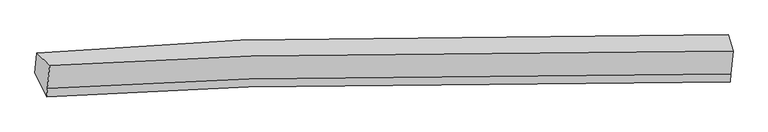
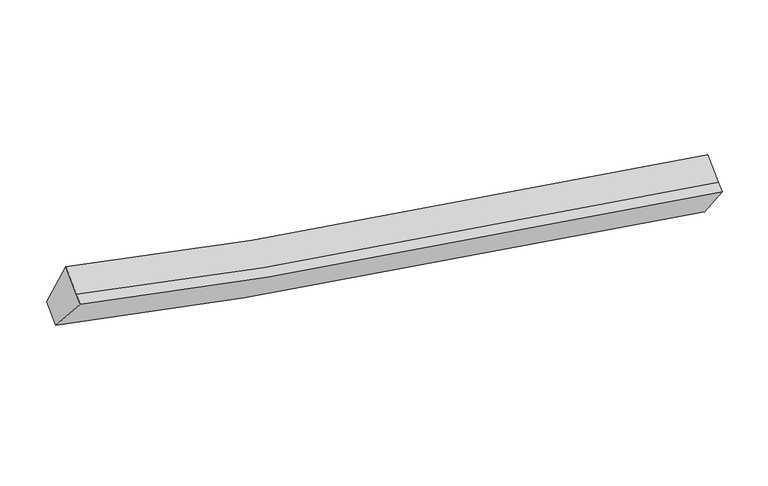
"""IFC4 building model written with IfcOpenShell, lengths in millimetres: proxy geometry."""

from ifc_helpers import new_model, si_unit, frame, origin, place, context, project, spatial, source, transform, mapped, element, save
from ifc_brep_helpers import plane_surface, spline_curve, spline_surface, advanced_brep


def generic_models_b4ca716c(model_context):
    return source(origin(), model_context, "Body", "AdvancedBrep", [
        advanced_brep(
        [(-4301.1393491, -1888.1021383, 3801.5619417), (-4099.46285, -2084.2162601, 4460.6684909), (6615.5196685, -1858.8854079, 2523.9230772), (6537.2632385, -1602.6209784, 1880.4748406), (-4135.0697643, -2448.343918, 4215.1881371), (6580.0671286, -2221.434383, 2279.5070084), (-4147.7834724, -2578.3583498, 4127.5375893), (6567.9445961, -2345.4032652, 2195.9321291), (-4331.1441114, -2200.0889336, 3593.0367709), (6502.0563604, -1962.6577381, 1637.7524073)],
        [
            (0, 1),
            (1, 2, spline_curve(3, [(-4099.46285, -2084.2162601, 4460.6684909), (-3051.015195239, -2024.576461745, 4194.542875796), (-1997.890775268, -1976.038353428, 3950.399431849), (1552.47923122, -1850.387958395, 3204.744453929), (4071.015650651, -1823.815782495, 2803.306092923), (6615.5196685, -1858.8854079, 2523.9230772)], [4, 2, 4], [0.0, 10.714074270032365, 35.960375606474365])),
            (2, 3),
            (3, 0, spline_curve(3, [(6537.2632385, -1602.6209784, 1880.4748406), (3969.392604069, -1536.428848791, 2184.789321976), (1423.616939448, -1563.610779628, 2591.083199629), (-2171.068258155, -1735.328555455, 3315.058471409), (-3238.093456009, -1803.30701139, 3549.126960337), (-4301.1393491, -1888.1021383, 3801.5619417)], [4, 2, 4], [0.0, 25.246301336442002, 35.960375606474365])),
            (1, 4),
            (4, 5, spline_curve(3, [(-4135.0697643, -2448.343918, 4215.1881371), (-3086.555319915, -2388.021107048, 3949.52298182), (-2033.379441701, -2338.956771247, 3705.734299426), (1517.111818725, -2212.066390845, 2960.915270669), (4035.648238815, -2185.494215243, 2559.476909957), (6580.0671286, -2221.434383, 2279.5070084)], [4, 2, 4], [0.0, 10.65558636571891, 35.764068678359244])),
            (5, 2),
            (4, 6),
            (6, 7, spline_curve(3, [(-4147.7834724, -2578.3583498, 4127.5375893), (-3099.0132575, -2515.419949769, 3863.635760081), (-2045.640320934, -2464.340430611, 3621.205633723), (1505.315282034, -2332.701537463, 2879.587863092), (4023.851701278, -2306.129361088, 2478.149501915), (6567.9445961, -2345.4032652, 2195.9321291)], [4, 2, 4], [0.0, 10.65553217602072, 35.76388679779245])),
            (7, 5),
            (6, 8),
            (8, 9, spline_curve(3, [(-4331.1441114, -2200.0889336, 3593.0367709), (-3270.348898219, -2136.082481452, 3325.806445168), (-2205.05773921, -2084.120680352, 3080.338868599), (1385.541425956, -1950.144036507, 2329.503153305), (3931.317089919, -1922.962106203, 1923.20927477), (6502.0563604, -1962.6577381, 1637.7524073)], [4, 2, 4], [0.0, 10.714157301760283, 35.960654291505655])),
            (9, 7),
            (8, 0),
            (3, 9),
        ],
        [
            spline_surface(3, 3, [[(-4301.1393491, -1888.1021383, 3801.5619417), (-3238.093455939, -1803.307011433, 3549.126960395), (-2171.068258166, -1735.328555499, 3315.058471256), (1423.616939475, -1563.610779526, 2591.083199991), (3969.392604193, -1536.428848819, 2184.789322119), (6537.2632385, -1602.6209784, 1880.4748406)], [(-4233.913849389, -1953.473512245, 4021.264124783), (-3175.734035695, -1877.06349486, 3764.265598894), (-2113.342430544, -1815.565154793, 3526.838791462), (1466.571036687, -1659.203172558, 2795.63695119), (4003.266953003, -1632.224493503, 2390.961579099), (6563.348715143, -1688.042454901, 2094.957586147)], [(-4166.688349711, -2018.844886155, 4240.966307817), (-3113.374615486, -1950.819978253, 3979.404237343), (-2055.616602867, -1895.801754052, 3738.619111752), (1509.525133953, -1754.795565556, 3000.190702472), (4037.141301884, -1728.020138185, 2597.133836037), (6589.434191857, -1773.463931399, 2309.440331653)], [(-4099.46285, -2084.2162601, 4460.6684909), (-3051.015195243, -2024.57646168, 4194.542875842), (-1997.890775244, -1976.038353346, 3950.399431958), (1552.479231165, -1850.387958589, 3204.744453671), (4071.015650693, -1823.815782869, 2803.306093016), (6615.5196685, -1858.8854079, 2523.9230772)]], [4, 4], [4, 2, 4], [0.0, 2.2697541556845127], [0.0, 10.714074270032365, 35.960375606474365]),
            spline_surface(3, 3, [[(-4099.46285, -2084.2162601, 4460.6684909), (-3051.015195243, -2024.57646168, 4194.542875842), (-1997.890775244, -1976.038353346, 3950.399431958), (1552.479231165, -1850.387958589, 3204.744453671), (4071.015650693, -1823.815782869, 2803.306093016), (6615.5196685, -1858.8854079, 2523.9230772)], [(-4111.331821447, -2205.592146077, 4378.841706303), (-3062.861903467, -2145.724676847, 4112.869577831), (-2009.720330747, -2097.011159315, 3868.844387837), (1540.690093785, -1970.947435942, 3123.468059228), (4059.226513314, -1944.375260223, 2722.029698573), (6603.702155218, -1979.735066282, 2442.451054274)], [(-4123.200792853, -2326.968032023, 4297.014921697), (-3074.708611651, -2266.872891984, 4031.19627981), (-2021.549886303, -2217.983965338, 3787.289343695), (1528.900956352, -2091.506913351, 3042.191664764), (4047.437375881, -2064.934737531, 2640.753304109), (6591.884641882, -2100.584724618, 2360.979031326)], [(-4135.0697643, -2448.343918, 4215.1881371), (-3086.555319875, -2388.021107151, 3949.522981798), (-2033.379441806, -2338.956771307, 3705.734299574), (1517.111818973, -2212.066390704, 2960.915270321), (4035.648238502, -2185.494214885, 2559.476909666), (6580.0671286, -2221.434383, 2279.5070084)]], [4, 4], [4, 2, 4], [0.0, 1.4371052140570801], [0.0, 10.65558636571891, 35.764068678359244]),
            spline_surface(3, 3, [[(-4135.0697643, -2448.343918, 4215.1881371), (-3086.555319875, -2388.021107151, 3949.522981798), (-2033.379441806, -2338.956771307, 3705.734299574), (1517.111818973, -2212.066390704, 2960.915270321), (4035.648238502, -2185.494214885, 2559.476909666), (6580.0671286, -2221.434383, 2279.5070084)], [(-4139.307666982, -2491.682061918, 4185.971287817), (-3090.707965776, -2430.487388036, 3920.893907822), (-2037.466401535, -2380.751324464, 3677.558077658), (1513.179640033, -2252.278106165, 2933.806134492), (4031.716059562, -2225.705930346, 2532.367773837), (6576.026284431, -2262.757343735, 2251.648715299)], [(-4143.545569718, -2535.020205882, 4156.754438583), (-3094.860611729, -2472.953668966, 3892.264833896), (-2041.553361258, -2422.545877616, 3649.381855746), (1509.247461099, -2292.489821622, 2906.696998667), (4027.783880628, -2265.917645802, 2505.258638012), (6571.985440269, -2304.080304465, 2223.790422201)], [(-4147.7834724, -2578.3583498, 4127.5375893), (-3099.013257629, -2515.41994985, 3863.635759919), (-2045.640320987, -2464.340430773, 3621.20563383), (1505.315282159, -2332.701537083, 2879.587862838), (4023.851701688, -2306.129361263, 2478.149502183), (6567.9445961, -2345.4032652, 2195.9321291)]], [4, 4], [4, 2, 4], [0.0, 0.4839879984587452], [0.0, 10.65553217602072, 35.76388679779245]),
            spline_surface(3, 3, [[(-4147.7834724, -2578.3583498, 4127.5375893), (-3099.013257629, -2515.41994985, 3863.635759919), (-2045.640320987, -2464.340430773, 3621.20563383), (1505.315282159, -2332.701537083, 2879.587862838), (4023.851701688, -2306.129361263, 2478.149502183), (6567.9445961, -2345.4032652, 2195.9321291)], [(-4208.9036854, -2452.268544417, 3949.370649833), (-3156.125137835, -2388.974127071, 3684.359321711), (-2098.779460335, -2337.600513985, 3440.91671213), (1465.390663298, -2205.182370266, 2696.226292857), (3993.006831228, -2178.406942794, 2293.169426422), (6545.981850876, -2217.821422836, 2009.872221815)], [(-4270.0238984, -2326.178738983, 3771.203710367), (-3213.23701804, -2262.528304239, 3505.082883505), (-2151.918599695, -2210.86059712, 3260.62779046), (1425.466044425, -2077.663203372, 2512.864722908), (3962.161960741, -2050.684524317, 2108.189350717), (6524.019105624, -2090.239580464, 1823.812314585)], [(-4331.1441114, -2200.0889336, 3593.0367709), (-3270.348898245, -2136.082481459, 3325.806445296), (-2205.057739043, -2084.120680331, 3080.338868759), (1385.541425564, -1950.144036556, 2329.503152927), (3931.317090282, -1922.962105848, 1923.209274955), (6502.0563604, -1962.6577381, 1637.7524073)]], [4, 4], [4, 2, 4], [0.0, 2.2311417240968083], [0.0, 10.714157301760283, 35.960654291505655]),
            spline_surface(3, 3, [[(-4331.1441114, -2200.0889336, 3593.0367709), (-3270.348898245, -2136.082481459, 3325.806445296), (-2205.057739043, -2084.120680331, 3080.338868759), (1385.541425564, -1950.144036556, 2329.503152927), (3931.317090282, -1922.962105848, 1923.209274955), (6502.0563604, -1962.6577381, 1637.7524073)], [(-4321.142523983, -2096.093335143, 3662.545161164), (-3259.59708416, -2025.15732476, 3400.246616993), (-2193.727912086, -1967.8566387, 3158.578736291), (1398.233263533, -1821.299617525, 2416.696501981), (3944.008928251, -1794.117686818, 2010.402624009), (6513.791986432, -1842.645484846, 1718.659885066)], [(-4311.140936517, -1992.097736757, 3732.053551436), (-3248.845270025, -1914.232168132, 3474.686788698), (-2182.398085124, -1851.59259713, 3236.818603725), (1410.925101506, -1692.455198556, 2503.889850937), (3956.700766224, -1665.273267849, 2097.595973066), (6525.527612468, -1722.633231654, 1799.567362834)], [(-4301.1393491, -1888.1021383, 3801.5619417), (-3238.093455939, -1803.307011433, 3549.126960395), (-2171.068258166, -1735.328555499, 3315.058471256), (1423.616939475, -1563.610779526, 2591.083199991), (3969.392604193, -1536.428848819, 2184.789322119), (6537.2632385, -1602.6209784, 1880.4748406)]], [4, 4], [4, 2, 4], [0.0, 1.495102454090904], [0.0, 10.772743450801325, 36.15729096507675]),
            plane_surface(frame((6555.6959659, -1942.3918474, 2059.5206135), z_axis=(0.9920081119451353, -0.012352455670377537, -0.12556800019893402), x_axis=(-0.09689446422389988, 0.562861069252483, -0.820852532141258))),
            plane_surface(frame((-4219.8824457, -2187.6914205, 3995.7011982), z_axis=(-0.9595616646426639, -0.08671411498010594, 0.26780977206109774), x_axis=(-0.0797033301372613, -0.8287479947990736, -0.5539170879125735))),
        ],
        [
            (0, [[1, 2, 3, 4]]),
            (1, [[5, 6, 7, -2]]),
            (2, [[8, 9, 10, -6]]),
            (3, [[11, 12, 13, -9]]),
            (4, [[14, -4, 15, -12]]),
            (5, [[-13, -15, -3, -7, -10]]),
            (6, [[-14, -11, -8, -5, -1]]),
        ],
    ),
    ])


if __name__ == "__main__":
    model = new_model("IFC4")
    model_context = context("Model", 3, world=origin())
    ifc_project = project(units=[si_unit("LENGTHUNIT", "METRE", prefix="MILLI")], contexts=[model_context])
    site = spatial("IfcSite", under=ifc_project)
    building = spatial("IfcBuilding", under=site)
    placement = place(None, origin())
    generic_models_shape = generic_models_b4ca716c(model_context)
    element("IfcBuildingElementProxy", 1, Name="Generic Models", at=placement, inside=building, context=model_context, shape_type="MappedRepresentation", body=[
        mapped(generic_models_shape, transform((0.0, 0.0, 0.0), x_axis=(1.0, 0.0, 0.0), y_axis=(0.0, 1.0, 0.0), z_axis=(0.0, 0.0, 1.0))),
    ])
    save(model, "model.ifc")
